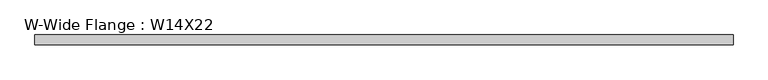
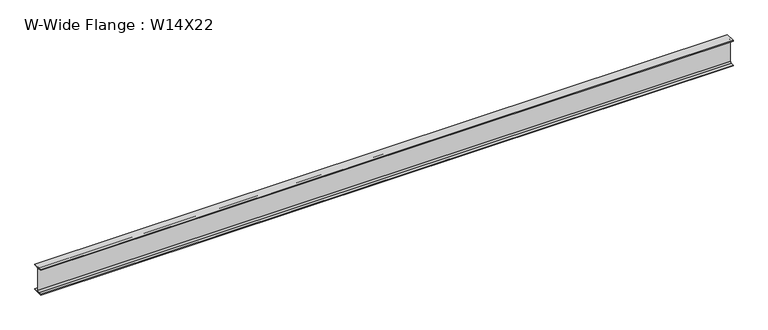
"""IFC4 building model written with IfcOpenShell, lengths in millimetres: beam geometry, W-Wide Flange : W14X22."""

from ifc_helpers import new_model, si_unit, point, frame, frame_2d, origin, place, context, project, spatial, polyline, circle_curve, trimmed, segment, composite_curve, outline, extrude, source, transform, mapped, element, save


def w_wide_flange_w14x22_533ee1f3(model_context):
    return source(origin(), model_context, "Body", "SweptSolid", [
        extrude(outline(composite_curve([segment(polyline([(63.5, -165.4472656), (63.5, -173.9800781), (-63.5, -173.9800781), (-63.5, -165.4472656), (-21.3816406, -165.4472656)]), True, "CONTINUOUS"), segment(trimmed(circle_curve(frame_2d((-21.3816406, -146.9925781)), 18.4546875), [point((-21.3816406, -165.4472656))], [point((-2.9269531, -146.9925781))], True, "CARTESIAN"), True, "CONTINUOUS"), segment(polyline([(-2.9269531, -146.9925781), (-2.9269531, 146.9925781)]), True, "CONTINUOUS"), segment(trimmed(circle_curve(frame_2d((-21.3816406, 146.9925781)), 18.4546875), [point((-2.9269531, 146.9925781))], [point((-21.3816406, 165.4472656))], True, "CARTESIAN"), True, "CONTINUOUS"), segment(polyline([(-21.3816406, 165.4472656), (-63.5, 165.4472656), (-63.5, 173.9800781), (63.5, 173.9800781), (63.5, 165.4472656), (21.3816406, 165.4472656)]), True, "CONTINUOUS"), segment(trimmed(circle_curve(frame_2d((21.3816406, 146.9925781)), 18.4546875), [point((21.3816406, 165.4472656))], [point((2.9269531, 146.9925781))], True, "CARTESIAN"), True, "CONTINUOUS"), segment(polyline([(2.9269531, 146.9925781), (2.9269531, -146.9925781)]), True, "CONTINUOUS"), segment(trimmed(circle_curve(frame_2d((21.3816406, -146.9925781)), 18.4546875), [point((2.9269531, -146.9925781))], [point((21.3816406, -165.4472656))], True, "CARTESIAN"), True, "CONTINUOUS"), segment(polyline([(21.3816406, -165.4472656), (63.5, -165.4472656)]), True, "CONTINUOUS")], self_intersect=False)), frame((-4496.196875, 0.0, 0.0), z_axis=(1.0, 0.0, 0.0), x_axis=(0.0, 1.0, 0.0)), (0.0, 0.0, 1.0), 9030.096875),
    ])


if __name__ == "__main__":
    model = new_model("IFC4")
    model_context = context("Model", 3, world=origin())
    ifc_project = project(units=[si_unit("LENGTHUNIT", "METRE", prefix="MILLI")], contexts=[model_context])
    site = spatial("IfcSite", under=ifc_project)
    building = spatial("IfcBuilding", under=site)
    placement = place(None, origin())
    w_wide_flange_w14x22_shape = w_wide_flange_w14x22_533ee1f3(model_context)
    element("IfcBeam", 1, ObjectType="W-Wide Flange : W14X22", at=placement, inside=building, context=model_context, shape_type="MappedRepresentation", body=[
        mapped(w_wide_flange_w14x22_shape, transform((0.0, 0.0, 0.0), x_axis=(1.0, 0.0, 0.0), y_axis=(0.0, 1.0, 0.0), z_axis=(0.0, 0.0, 1.0))),
    ])
    save(model, "model.ifc")
